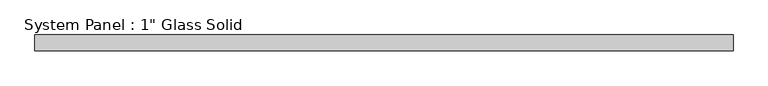
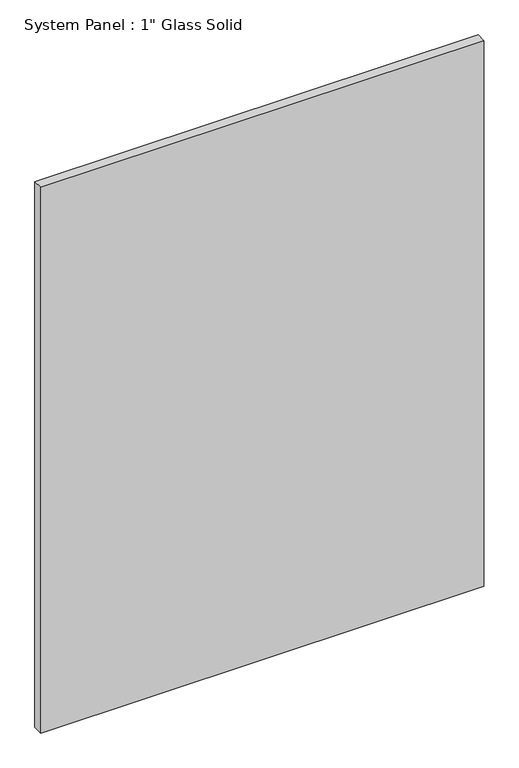
"""IFC4 building model written with IfcOpenShell, lengths in millimetres: plate geometry."""

from ifc_helpers import new_model, si_unit, origin, origin_with_axes, place, context, project, spatial, polyline, outline, extrude, source, transform, mapped, element, save


def plate_e52fc93d(model_context):
    return source(origin(), model_context, "Body", "SweptSolid", [
        extrude(outline(polyline([(558.2220691, -12.7), (-558.2220691, -12.7), (-558.2220691, 12.7), (558.2220691, 12.7), (558.2220691, -12.7)])), origin_with_axes(), (0.0, 0.0, 1.0), 1452.8817704),
    ])


if __name__ == "__main__":
    model = new_model("IFC4")
    model_context = context("Model", 3, world=origin())
    ifc_project = project(units=[si_unit("LENGTHUNIT", "METRE", prefix="MILLI")], contexts=[model_context])
    site = spatial("IfcSite", under=ifc_project)
    building = spatial("IfcBuilding", under=site)
    placement = place(None, origin())
    plate_shape = plate_e52fc93d(model_context)
    element("IfcPlate", 1, ObjectType="System Panel : 1\" Glass Solid", at=placement, inside=building, context=model_context, shape_type="MappedRepresentation", body=[
        mapped(plate_shape, transform((0.0, 0.0, 0.0), x_axis=(1.0, 0.0, 0.0), y_axis=(0.0, 1.0, 0.0), z_axis=(0.0, 0.0, 1.0))),
    ])
    save(model, "model.ifc")
